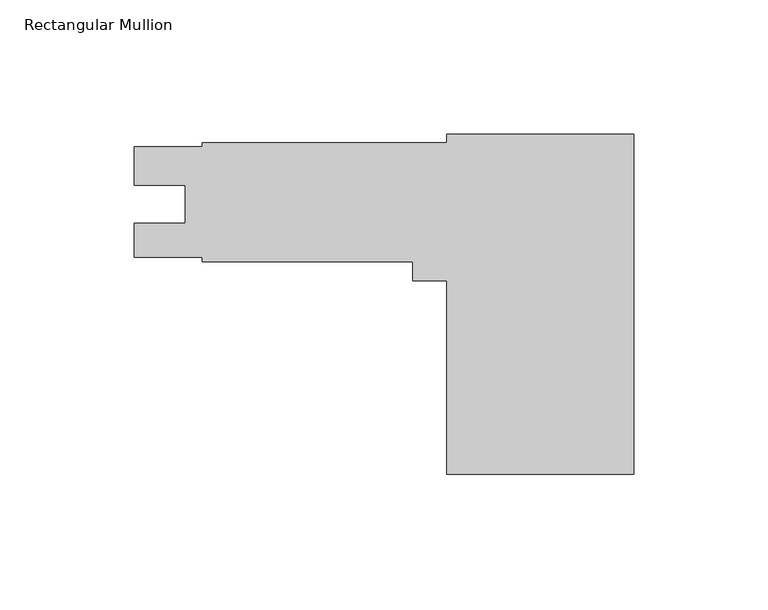
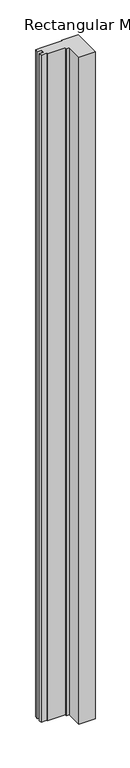
"""IFC4 building model written with IfcOpenShell, lengths in millimetres: member geometry, Rectangular Mullion."""

import ifcopenshell
import ifcopenshell.guid

model = None  # the IFC model being written
_history = None  # IfcOwnerHistory: only IFC2X3 demands one
_inside = {}  # id of a spatial element -> (the spatial element, [elements in it])
_under = {}  # id of a project, library or spatial element -> (it, [spatial elements below it])
_declared = {}  # id of a project -> (the project, [libraries it declares])
_typed = {}  # id of a type object -> (the type object, [elements of that type])
_made_of = {}  # id of a material, layer set ... -> (it, [elements and type objects made of it])


def new_model(schema):
    """Start an empty IFC model of exactly this schema.

    Asked for "IFC4X3", IfcOpenShell would pick the latest addendum, in which some entities
    have other attributes; the version numbers below select the first issue.
    IFC2X3 requires an IfcOwnerHistory on every rooted entity: one is made here for all.
    """
    global model, _history
    if schema == "IFC4X3":
        model = ifcopenshell.file(schema_version=(4, 3, 0, 0))
    else:
        model = ifcopenshell.file(schema=schema)
    _inside.clear()
    _under.clear()
    _declared.clear()
    _typed.clear()
    _made_of.clear()
    _history = None
    if model.schema == "IFC2X3":
        org = make("IfcOrganization", Name="unknown")
        user = make(
            "IfcPersonAndOrganization",
            ThePerson=make("IfcPerson", FamilyName="unknown"),
            TheOrganization=org,
        )
        app = make(
            "IfcApplication",
            ApplicationDeveloper=org,
            Version="unknown",
            ApplicationFullName="unknown",
            ApplicationIdentifier="unknown",
        )
        _history = make(
            "IfcOwnerHistory",
            OwningUser=user,
            OwningApplication=app,
            ChangeAction="ADDED",
            CreationDate=0,
        )
    return model


def make(cls, **values):
    """One entity of the class cls with the attributes given. An attribute that is None is left unset."""
    return model.create_entity(
        cls, **{name: value for name, value in values.items() if value is not None}
    )


def rooted(cls, **values):
    """An entity with a GlobalId (a new one), such as an element, a storey or a relation."""
    return make(cls, GlobalId=ifcopenshell.guid.new(), OwnerHistory=_history, **values)


def si_unit(unit_type, name, prefix=None):
    """IfcSIUnit, for example si_unit("LENGTHUNIT", "METRE", prefix="MILLI")."""
    return make("IfcSIUnit", UnitType=unit_type, Prefix=prefix, Name=name)


def assignment(units):
    """IfcUnitAssignment: the units of a project."""
    return None if units is None else make("IfcUnitAssignment", Units=units)


def point(xyz):
    """IfcCartesianPoint."""
    return None if xyz is None else make("IfcCartesianPoint", Coordinates=xyz)


def direction(xyz):
    """IfcDirection."""
    return None if xyz is None else make("IfcDirection", DirectionRatios=xyz)


def frame(location, z_axis=None, x_axis=None):
    """IfcAxis2Placement3D, a coordinate frame: its origin and axes. An axis left out is left unset."""
    return make(
        "IfcAxis2Placement3D",
        Location=point(location),
        Axis=direction(z_axis),
        RefDirection=direction(x_axis),
    )


def origin():
    """The frame at (0, 0, 0) with its axes left unset."""
    return frame((0.0, 0.0, 0.0))


def place(relative_to, where):
    """IfcLocalPlacement: puts the frame where relative to a parent placement (None: the world)."""
    return make(
        "IfcLocalPlacement", PlacementRelTo=relative_to, RelativePlacement=where
    )


def context(
    kind, dimensions, precision=None, world=None, true_north=None, identifier=None
):
    """IfcGeometricRepresentationContext, for example the 3D "Model" context."""
    return make(
        "IfcGeometricRepresentationContext",
        ContextIdentifier=identifier,
        ContextType=kind,
        CoordinateSpaceDimension=dimensions,
        Precision=precision,
        WorldCoordinateSystem=world,
        TrueNorth=true_north,
    )


def project(units=None, contexts=None):
    """IfcProject with its units and contexts."""
    return rooted(
        "IfcProject",
        Name="project",
        RepresentationContexts=contexts,
        UnitsInContext=assignment(units),
    )


def spatial(cls, under=None, at=None, **own):
    """A site, building, storey or space (cls), placed at a placement, below another one or the project."""
    s = rooted(cls, ObjectPlacement=at, **own)
    if under is not None:
        _under.setdefault(under.id(), (under, []))[1].append(s)
    return s


def polyline(points):
    """IfcPolyline through the points."""
    return make("IfcPolyline", Points=[point(p) for p in points])


def outline(outer, holes=None, kind="AREA"):
    """IfcArbitraryClosedProfileDef: a profile drawn as a closed curve; with holes, ...WithVoids."""
    if holes is None:
        return make("IfcArbitraryClosedProfileDef", ProfileType=kind, OuterCurve=outer)
    return make(
        "IfcArbitraryProfileDefWithVoids",
        ProfileType=kind,
        OuterCurve=outer,
        InnerCurves=holes,
    )


def extrude(swept, where, along, depth):
    """IfcExtrudedAreaSolid: the profile swept, set in the frame where, extruded along a direction by depth."""
    return make(
        "IfcExtrudedAreaSolid",
        SweptArea=swept,
        Position=where,
        ExtrudedDirection=direction(along),
        Depth=depth,
    )


def shape(context_of_items, identifier, shape_type, items):
    """IfcShapeRepresentation: the items that make up one representation, for example the "Body"."""
    return make(
        "IfcShapeRepresentation",
        ContextOfItems=context_of_items,
        RepresentationIdentifier=identifier,
        RepresentationType=shape_type,
        Items=items,
    )


def source(mapping_origin, context_of_items, identifier, shape_type, items):
    """IfcRepresentationMap: a shape defined once, which mapped items show again and again."""
    return make(
        "IfcRepresentationMap",
        MappingOrigin=mapping_origin,
        MappedRepresentation=shape(context_of_items, identifier, shape_type, items),
    )


def transform(
    local_origin,
    x_axis=None,
    y_axis=None,
    z_axis=None,
    scale=None,
    scale2=None,
    scale3=None,
    uniform=True,
):
    """IfcCartesianTransformationOperator3D, or its non-uniform kind. x_axis, y_axis, z_axis: its Axis1, 2, 3."""
    if uniform:
        return make(
            "IfcCartesianTransformationOperator3D",
            Axis1=direction(x_axis),
            Axis2=direction(y_axis),
            LocalOrigin=point(local_origin),
            Scale=scale,
            Axis3=direction(z_axis),
        )
    return make(
        "IfcCartesianTransformationOperator3DnonUniform",
        Axis1=direction(x_axis),
        Axis2=direction(y_axis),
        LocalOrigin=point(local_origin),
        Scale=scale,
        Axis3=direction(z_axis),
        Scale2=scale2,
        Scale3=scale3,
    )


def mapped(mapping_source, mapping_target):
    """IfcMappedItem: shows the shape of a source again, moved by a transform."""
    return make(
        "IfcMappedItem", MappingSource=mapping_source, MappingTarget=mapping_target
    )


def made_of(thing, what):
    """Note that an element or type object is made of a material, layer set ...; save() writes the relation."""
    if what is not None:
        _made_of.setdefault(what.id(), (what, []))[1].append(thing)
    return thing


def element(
    cls,
    number,
    at=None,
    inside=None,
    cuts=None,
    type_object=None,
    material=None,
    context=None,
    identifier="Body",
    shape_type=None,
    held_by="IfcProductDefinitionShape",
    body=None,
    shapes=None,
    **own,
):
    """One element of the class cls, such as IfcWall. Its Tag is "e" and its number.

    at: its placement. inside: the storey or other place that contains it. cuts: it is an
    opening in that element (IfcRelVoidsElement). A single representation is given by context,
    identifier, shape_type and body (its items); several are given by shapes. held_by: the class
    of the entity that holds the representations. save() writes the other relations.
    """
    e = rooted(cls, Tag="e%d" % number, ObjectPlacement=at, **own)
    if body is not None:
        shapes = [shape(context, identifier, shape_type, body)]
    if shapes is not None:
        e.Representation = make(held_by, Representations=shapes)
    if inside is not None:
        _inside.setdefault(inside.id(), (inside, []))[1].append(e)
    if cuts is not None:
        rooted(
            "IfcRelVoidsElement", RelatingBuildingElement=cuts, RelatedOpeningElement=e
        )
    if type_object is not None:
        _typed.setdefault(type_object.id(), (type_object, []))[1].append(e)
    return made_of(e, material)


def aggregate(whole, parts):
    """IfcRelAggregates: a whole, such as a stair, and the parts it consists of."""
    return rooted("IfcRelAggregates", RelatingObject=whole, RelatedObjects=parts)


def save(model, path):
    """Write the relations noted so far, then the file.

    IfcRelAggregates (storeys below a building ...), IfcRelContainedInSpatialStructure (elements
    in a storey), IfcRelDefinesByType, IfcRelAssociatesMaterial and IfcRelDeclares: one each for
    every whole, place, type object, material and project.
    """
    for whole, parts in _under.values():
        aggregate(whole, parts)
    for where, things in _inside.values():
        rooted(
            "IfcRelContainedInSpatialStructure",
            RelatedElements=things,
            RelatingStructure=where,
        )
    for kind, things in _typed.values():
        rooted("IfcRelDefinesByType", RelatedObjects=things, RelatingType=kind)
    for what, things in _made_of.values():
        rooted("IfcRelAssociatesMaterial", RelatedObjects=things, RelatingMaterial=what)
    for by, libraries in _declared.values():
        rooted("IfcRelDeclares", RelatingContext=by, RelatedDefinitions=libraries)
    model.write(path)


def rectangular_mullion_333f82b7(model_context):
    return source(origin(), model_context, "Body", "SweptSolid", [
        extrude(outline(polyline([(0.0, -63.6571461), (-69.85, -63.6571461), (-69.85, 8.5551809), (-82.55, 8.5551809), (-82.55, 15.7178539), (-161.13125, 15.7178539), (-161.13125, 17.3180539), (-186.53125, 17.3180539), (-186.53125, 30.0307539), (-167.4939509, 30.0307539), (-167.4939509, 44.3182539), (-186.53125, 44.3182539), (-186.53125, 58.5803376), (-161.13125, 58.5803376), (-161.13125, 60.1678539), (-69.85, 60.1678539), (-69.85, 63.3428539), (0.0, 63.3428539), (0.0, -63.6571461)])), frame((0.0, 0.0, -3048.0), z_axis=(0.0, 0.0, 1.0), x_axis=(1.0, 0.0, 0.0)), (0.0, 0.0, 1.0), 3048.0),
    ])


if __name__ == "__main__":
    model = new_model("IFC4")
    model_context = context("Model", 3, world=origin())
    ifc_project = project(units=[si_unit("LENGTHUNIT", "METRE", prefix="MILLI")], contexts=[model_context])
    site = spatial("IfcSite", under=ifc_project)
    building = spatial("IfcBuilding", under=site)
    placement = place(None, origin())
    rectangular_mullion_shape = rectangular_mullion_333f82b7(model_context)
    element("IfcMember", 1, ObjectType="Rectangular Mullion", at=placement, inside=building, context=model_context, shape_type="MappedRepresentation", body=[
        mapped(rectangular_mullion_shape, transform((0.0, 0.0, 0.0), x_axis=(1.0, 0.0, 0.0), y_axis=(0.0, 1.0, 0.0), z_axis=(0.0, 0.0, 1.0))),
    ])
    save(model, "model.ifc")
